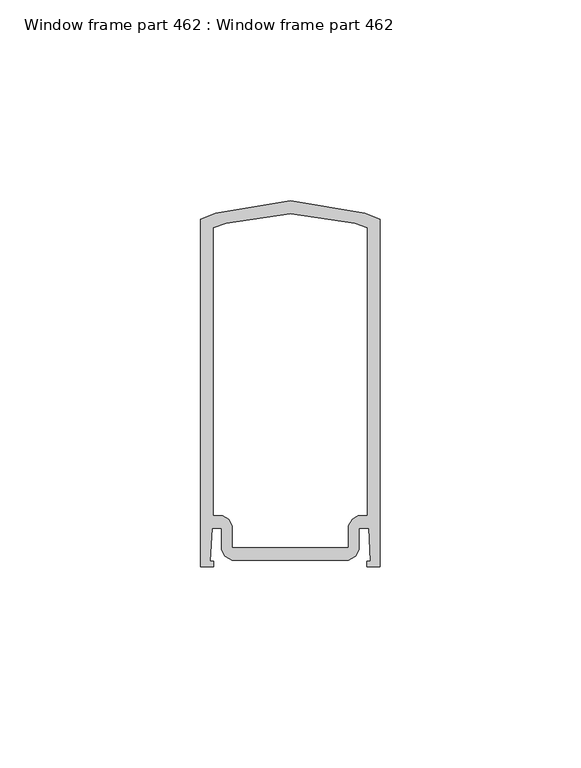
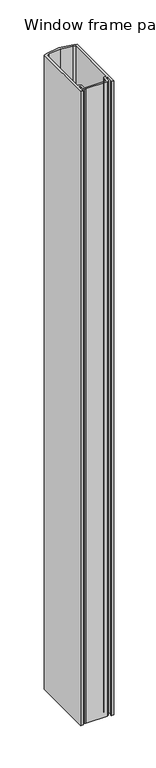
"""IFC4 building model written with IfcOpenShell, lengths in millimetres: proxy geometry, Window frame part 462 : Window frame part 462."""

from ifc_helpers import new_model, si_unit, frame, origin, place, context, project, spatial, polyline, outline, extrude, source, transform, mapped, element, save


def window_frame_part_462_window_frame_part_462_e7128b96(model_context):
    return source(origin(), model_context, "Body", "SweptSolid", [
        extrude(outline(polyline([(37217.0503048, -22968.8210984), (37217.8651368, -22968.8210984), (37217.8651368, -22970.1012584), (37214.6850568, -22970.1012584), (37214.6850568, -22883.6366104), (37218.4117448, -22882.1156584), (37237.0157208, -22879.0615624), (37255.6237608, -22882.1156584), (37259.3555288, -22883.6366104), (37259.3555288, -22970.1012584), (37256.1754488, -22970.1012584), (37256.1754488, -22968.8210984), (37256.9912968, -22968.8210984), (37256.5727048, -22960.5528904), (37254.1800248, -22960.5528904), (37254.1800248, -22965.8675864), (37253.2432728, -22967.5704024), (37251.5394408, -22968.5020744), (37222.4950488, -22968.5020744), (37220.7922328, -22967.5704024), (37219.8605608, -22965.8675864), (37219.8605608, -22960.5528904), (37217.4688968, -22960.5528904), (37217.0503048, -22968.8210984)]), holes=[polyline([(37221.0899208, -22884.6282264), (37217.8651368, -22885.8027224), (37217.8651368, -22957.3555384), (37220.0048328, -22957.3555384), (37221.7025688, -22958.2922904), (37222.6454168, -22959.9900264), (37222.6454168, -22965.2986264), (37251.3961848, -22965.2986264), (37251.3961848, -22959.9900264), (37252.3278568, -22958.2922904), (37254.0093368, -22957.3555384), (37256.1754488, -22957.3555384), (37256.1754488, -22885.8027224), (37252.9455848, -22884.6282264), (37237.0197848, -22882.2802504), (37221.0899208, -22884.6282264)])]), frame((0.0, 0.0, 1524.0), z_axis=(0.0, 0.0, 1.0), x_axis=(1.0, 0.0, 0.0)), (0.0, 0.0, 1.0), 914.4),
    ])


if __name__ == "__main__":
    model = new_model("IFC4")
    model_context = context("Model", 3, world=origin())
    ifc_project = project(units=[si_unit("LENGTHUNIT", "METRE", prefix="MILLI")], contexts=[model_context])
    site = spatial("IfcSite", under=ifc_project)
    building = spatial("IfcBuilding", under=site)
    placement = place(None, origin())
    window_frame_part_462_window_frame_part_462_shape = window_frame_part_462_window_frame_part_462_e7128b96(model_context)
    element("IfcBuildingElementProxy", 1, Name="Window frame part 462 : Window frame part 462", ObjectType="Window frame part 462 : Window frame part 462", at=placement, inside=building, context=model_context, shape_type="MappedRepresentation", body=[
        mapped(window_frame_part_462_window_frame_part_462_shape, transform((0.0, 0.0, 0.0), x_axis=(1.0, 0.0, 0.0), y_axis=(0.0, 1.0, 0.0), z_axis=(0.0, 0.0, 1.0))),
    ])
    save(model, "model.ifc")
